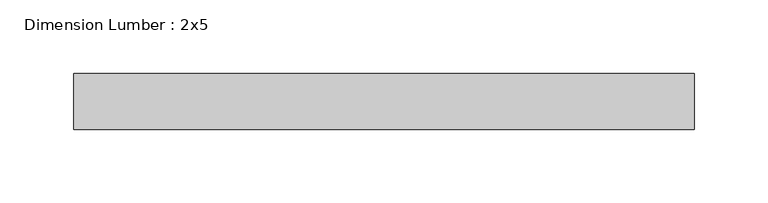
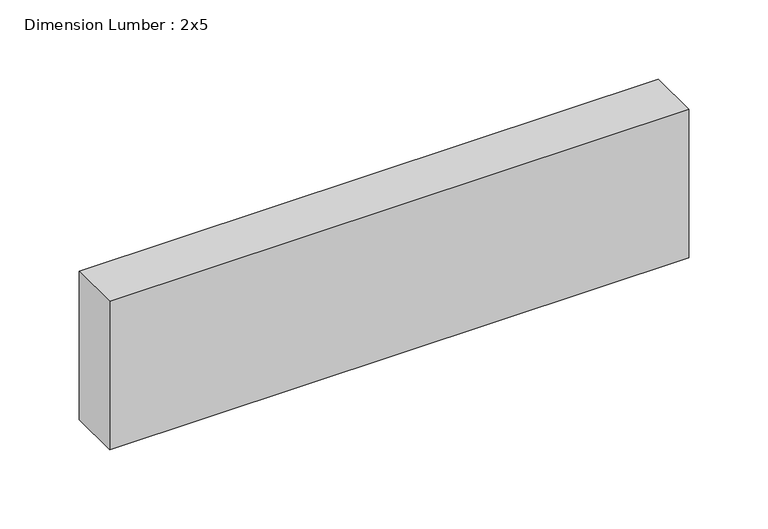
"""IFC4 building model written with IfcOpenShell, lengths in millimetres: beam geometry, Dimension Lumber : 2x5."""

from ifc_helpers import new_model, si_unit, frame, origin, place, context, project, spatial, polyline, outline, extrude, source, transform, mapped, element, save


def dimension_lumber_2x5_93388abe(model_context):
    return source(origin(), model_context, "Body", "SweptSolid", [
        extrude(outline(polyline([(208.5711544, 19.05), (208.5711544, -19.05), (-212.9425682, -19.05), (-212.9425682, 19.05), (208.5711544, 19.05)])), frame((0.0, 0.0, -57.15), z_axis=(0.0, 0.0, 1.0), x_axis=(1.0, 0.0, 0.0)), (0.0, 0.0, 1.0), 114.3),
    ])


if __name__ == "__main__":
    model = new_model("IFC4")
    model_context = context("Model", 3, world=origin())
    ifc_project = project(units=[si_unit("LENGTHUNIT", "METRE", prefix="MILLI")], contexts=[model_context])
    site = spatial("IfcSite", under=ifc_project)
    building = spatial("IfcBuilding", under=site)
    placement = place(None, origin())
    dimension_lumber_2x5_shape = dimension_lumber_2x5_93388abe(model_context)
    element("IfcBeam", 1, ObjectType="Dimension Lumber : 2x5", at=placement, inside=building, context=model_context, shape_type="MappedRepresentation", body=[
        mapped(dimension_lumber_2x5_shape, transform((0.0, 0.0, 0.0), x_axis=(1.0, 0.0, 0.0), y_axis=(0.0, 1.0, 0.0), z_axis=(0.0, 0.0, 1.0))),
    ])
    save(model, "model.ifc")
